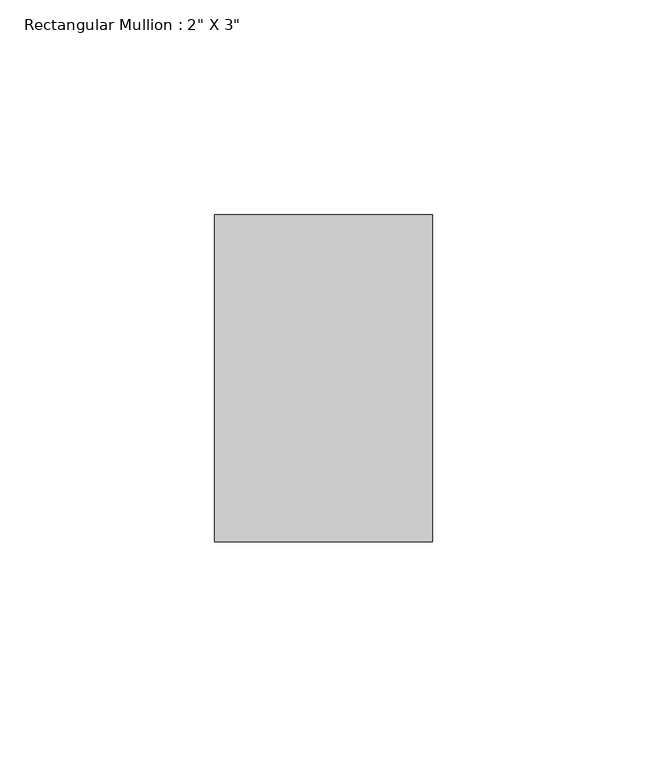
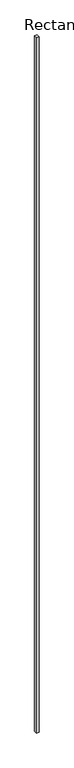
"""IFC4 building model written with IfcOpenShell, lengths in millimetres: member geometry."""

from ifc_helpers import new_model, si_unit, frame, origin, place, context, project, spatial, polyline, outline, extrude, source, transform, mapped, element, save


def member_c710cecf(model_context):
    return source(origin(), model_context, "Body", "SweptSolid", [
        extrude(outline(polyline([(25.4, 12.7), (25.4, -63.5), (-25.4, -63.5), (-25.4, 12.7), (25.4, 12.7)])), frame((0.0, 0.0, -15849.6), z_axis=(0.0, 0.0, 1.0), x_axis=(1.0, 0.0, 0.0)), (0.0, 0.0, 1.0), 15849.6),
    ])


if __name__ == "__main__":
    model = new_model("IFC4")
    model_context = context("Model", 3, world=origin())
    ifc_project = project(units=[si_unit("LENGTHUNIT", "METRE", prefix="MILLI")], contexts=[model_context])
    site = spatial("IfcSite", under=ifc_project)
    building = spatial("IfcBuilding", under=site)
    placement = place(None, origin())
    member_shape = member_c710cecf(model_context)
    element("IfcMember", 1, ObjectType="Rectangular Mullion : 2\" X 3\"", at=placement, inside=building, context=model_context, shape_type="MappedRepresentation", body=[
        mapped(member_shape, transform((0.0, 0.0, 0.0), x_axis=(1.0, 0.0, 0.0), y_axis=(0.0, 1.0, 0.0), z_axis=(0.0, 0.0, 1.0))),
    ])
    save(model, "model.ifc")
